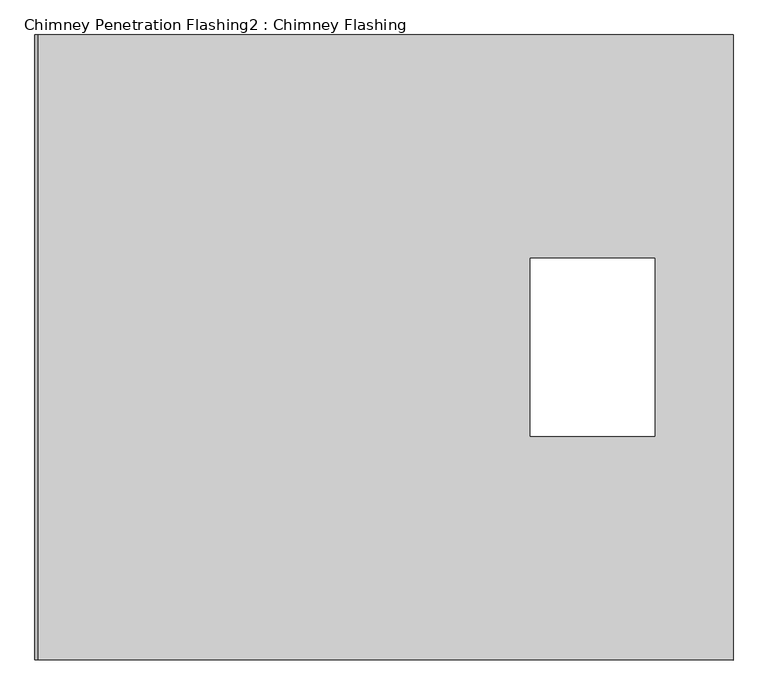
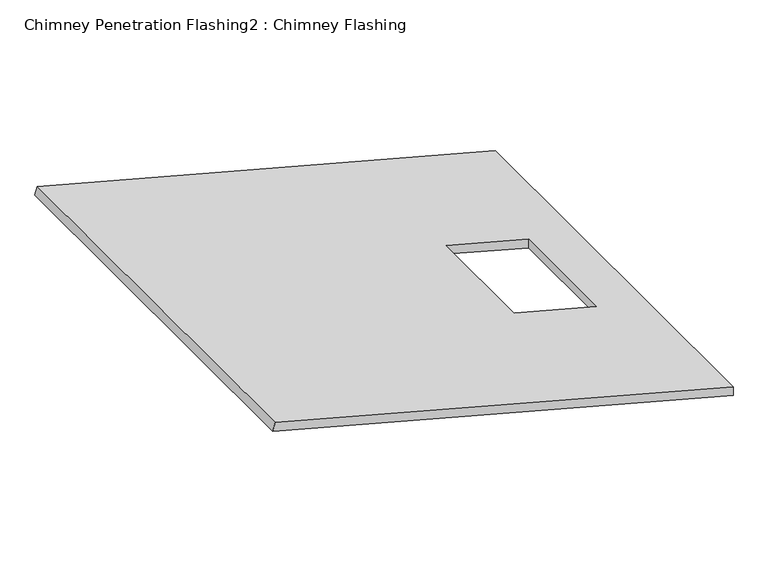
"""IFC4 building model written with IfcOpenShell, lengths in millimetres: proxy geometry, Chimney Penetration Flashing2 : Chimney Flashing."""

from ifc_helpers import new_model, si_unit, origin, place, context, project, spatial, faceted_brep, source, transform, mapped, element, save


def chimney_penetration_flashing2_chimney_flashing_72938bc8(model_context):
    return source(origin(), model_context, "Body", "Brep", [
        faceted_brep([(4034.3633972, -2311.2660332, 3407.6723492), (4034.3633972, -2311.2660332, 3446.4712036), (2083.8008732, -2311.2660332, 3969.1228567), (2074.1011596, -2311.2660332, 3932.9230327), (4034.3633972, -556.2660332, 3407.6723492), (2074.1011596, -556.2660332, 3932.9230327), (2083.8008732, -556.2660332, 3969.1228567), (4034.3633972, -556.2660332, 3446.4712036), (3815.016956, -1182.9266386, 3505.2449054), (3815.016956, -1682.9266386, 3505.2449054), (3465.016956, -1682.9266386, 3599.0271228), (3465.016956, -1182.9266386, 3599.0271228), (3815.016956, -1682.9266386, 3466.446051), (3815.016956, -1182.9266386, 3466.446051), (3465.016956, -1182.9266386, 3560.2282683), (3465.016956, -1682.9266386, 3560.2282683)], [[[0, 1, 2, 3]], [[4, 5, 6, 7]], [[1, 0, 4, 7]], [[2, 1, 7, 6], [8, 9, 10, 11]], [[3, 2, 6, 5]], [[0, 3, 5, 4], [12, 13, 14, 15]], [[12, 9, 8, 13]], [[13, 8, 11, 14]], [[14, 11, 10, 15]], [[9, 12, 15, 10]]]),
    ])


if __name__ == "__main__":
    model = new_model("IFC4")
    model_context = context("Model", 3, world=origin())
    ifc_project = project(units=[si_unit("LENGTHUNIT", "METRE", prefix="MILLI")], contexts=[model_context])
    site = spatial("IfcSite", under=ifc_project)
    building = spatial("IfcBuilding", under=site)
    placement = place(None, origin())
    chimney_penetration_flashing2_chimney_flashing_shape = chimney_penetration_flashing2_chimney_flashing_72938bc8(model_context)
    element("IfcBuildingElementProxy", 1, Name="Chimney Penetration Flashing2 : Chimney Flashing", ObjectType="Chimney Penetration Flashing2 : Chimney Flashing", at=placement, inside=building, context=model_context, shape_type="MappedRepresentation", body=[
        mapped(chimney_penetration_flashing2_chimney_flashing_shape, transform((0.0, 0.0, 0.0), x_axis=(1.0, 0.0, 0.0), y_axis=(0.0, 1.0, 0.0), z_axis=(0.0, 0.0, 1.0))),
    ])
    save(model, "model.ifc")
